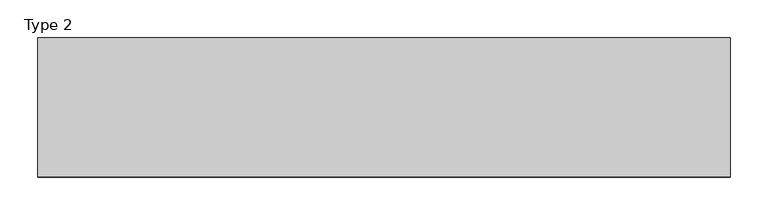
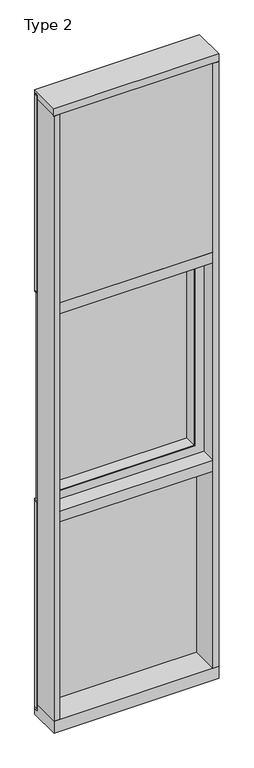
"""IFC4 building model written with IfcOpenShell, lengths in millimetres: plate geometry, Type 2."""

import ifcopenshell
import ifcopenshell.guid

model = None  # the IFC model being written
_history = None  # IfcOwnerHistory: only IFC2X3 demands one
_inside = {}  # id of a spatial element -> (the spatial element, [elements in it])
_under = {}  # id of a project, library or spatial element -> (it, [spatial elements below it])
_declared = {}  # id of a project -> (the project, [libraries it declares])
_typed = {}  # id of a type object -> (the type object, [elements of that type])
_made_of = {}  # id of a material, layer set ... -> (it, [elements and type objects made of it])


def new_model(schema):
    """Start an empty IFC model of exactly this schema.

    Asked for "IFC4X3", IfcOpenShell would pick the latest addendum, in which some entities
    have other attributes; the version numbers below select the first issue.
    IFC2X3 requires an IfcOwnerHistory on every rooted entity: one is made here for all.
    """
    global model, _history
    if schema == "IFC4X3":
        model = ifcopenshell.file(schema_version=(4, 3, 0, 0))
    else:
        model = ifcopenshell.file(schema=schema)
    _inside.clear()
    _under.clear()
    _declared.clear()
    _typed.clear()
    _made_of.clear()
    _history = None
    if model.schema == "IFC2X3":
        org = make("IfcOrganization", Name="unknown")
        user = make(
            "IfcPersonAndOrganization",
            ThePerson=make("IfcPerson", FamilyName="unknown"),
            TheOrganization=org,
        )
        app = make(
            "IfcApplication",
            ApplicationDeveloper=org,
            Version="unknown",
            ApplicationFullName="unknown",
            ApplicationIdentifier="unknown",
        )
        _history = make(
            "IfcOwnerHistory",
            OwningUser=user,
            OwningApplication=app,
            ChangeAction="ADDED",
            CreationDate=0,
        )
    return model


def make(cls, **values):
    """One entity of the class cls with the attributes given. An attribute that is None is left unset."""
    return model.create_entity(
        cls, **{name: value for name, value in values.items() if value is not None}
    )


def rooted(cls, **values):
    """An entity with a GlobalId (a new one), such as an element, a storey or a relation."""
    return make(cls, GlobalId=ifcopenshell.guid.new(), OwnerHistory=_history, **values)


def si_unit(unit_type, name, prefix=None):
    """IfcSIUnit, for example si_unit("LENGTHUNIT", "METRE", prefix="MILLI")."""
    return make("IfcSIUnit", UnitType=unit_type, Prefix=prefix, Name=name)


def assignment(units):
    """IfcUnitAssignment: the units of a project."""
    return None if units is None else make("IfcUnitAssignment", Units=units)


def point(xyz):
    """IfcCartesianPoint."""
    return None if xyz is None else make("IfcCartesianPoint", Coordinates=xyz)


def direction(xyz):
    """IfcDirection."""
    return None if xyz is None else make("IfcDirection", DirectionRatios=xyz)


def frame(location, z_axis=None, x_axis=None):
    """IfcAxis2Placement3D, a coordinate frame: its origin and axes. An axis left out is left unset."""
    return make(
        "IfcAxis2Placement3D",
        Location=point(location),
        Axis=direction(z_axis),
        RefDirection=direction(x_axis),
    )


def origin():
    """The frame at (0, 0, 0) with its axes left unset."""
    return frame((0.0, 0.0, 0.0))


def place(relative_to, where):
    """IfcLocalPlacement: puts the frame where relative to a parent placement (None: the world)."""
    return make(
        "IfcLocalPlacement", PlacementRelTo=relative_to, RelativePlacement=where
    )


def context(
    kind, dimensions, precision=None, world=None, true_north=None, identifier=None
):
    """IfcGeometricRepresentationContext, for example the 3D "Model" context."""
    return make(
        "IfcGeometricRepresentationContext",
        ContextIdentifier=identifier,
        ContextType=kind,
        CoordinateSpaceDimension=dimensions,
        Precision=precision,
        WorldCoordinateSystem=world,
        TrueNorth=true_north,
    )


def project(units=None, contexts=None):
    """IfcProject with its units and contexts."""
    return rooted(
        "IfcProject",
        Name="project",
        RepresentationContexts=contexts,
        UnitsInContext=assignment(units),
    )


def spatial(cls, under=None, at=None, **own):
    """A site, building, storey or space (cls), placed at a placement, below another one or the project."""
    s = rooted(cls, ObjectPlacement=at, **own)
    if under is not None:
        _under.setdefault(under.id(), (under, []))[1].append(s)
    return s


def polyline(points):
    """IfcPolyline through the points."""
    return make("IfcPolyline", Points=[point(p) for p in points])


def outline(outer, holes=None, kind="AREA"):
    """IfcArbitraryClosedProfileDef: a profile drawn as a closed curve; with holes, ...WithVoids."""
    if holes is None:
        return make("IfcArbitraryClosedProfileDef", ProfileType=kind, OuterCurve=outer)
    return make(
        "IfcArbitraryProfileDefWithVoids",
        ProfileType=kind,
        OuterCurve=outer,
        InnerCurves=holes,
    )


def extrude(swept, where, along, depth):
    """IfcExtrudedAreaSolid: the profile swept, set in the frame where, extruded along a direction by depth."""
    return make(
        "IfcExtrudedAreaSolid",
        SweptArea=swept,
        Position=where,
        ExtrudedDirection=direction(along),
        Depth=depth,
    )


def faces_of(points, faces, orient=None, outer=None):
    """IfcFace entities. A face is a list of loops; a loop is a list of indices into points, from 0.

    orient and outer hold one flag for each loop. By default every Orientation is true, the
    first loop of a face is its IfcFaceOuterBound and the others are IfcFaceBound.
    """
    made = []
    for i, loops in enumerate(faces):
        bounds = []
        for j, loop in enumerate(loops):
            is_outer = j == 0 if outer is None else outer[i][j]
            bounds.append(
                make(
                    "IfcFaceOuterBound" if is_outer else "IfcFaceBound",
                    Bound=make("IfcPolyLoop", Polygon=[points[k] for k in loop]),
                    Orientation=True if orient is None else orient[i][j],
                )
            )
        made.append(make("IfcFace", Bounds=bounds))
    return made


def faceted_brep(points, faces, orient=None, outer=None, voids=None):
    """IfcFacetedBrep: a solid bounded by flat faces; with voids (closed shells), ...WithVoids."""
    shared = [point(p) for p in points]
    hull = make("IfcClosedShell", CfsFaces=faces_of(shared, faces, orient, outer))
    if voids is None:
        return make("IfcFacetedBrep", Outer=hull)
    return make(
        "IfcFacetedBrepWithVoids",
        Outer=hull,
        Voids=[
            make(cls, CfsFaces=faces_of(shared, fs, o, b)) for cls, fs, o, b in voids
        ],
    )


def shape(context_of_items, identifier, shape_type, items):
    """IfcShapeRepresentation: the items that make up one representation, for example the "Body"."""
    return make(
        "IfcShapeRepresentation",
        ContextOfItems=context_of_items,
        RepresentationIdentifier=identifier,
        RepresentationType=shape_type,
        Items=items,
    )


def source(mapping_origin, context_of_items, identifier, shape_type, items):
    """IfcRepresentationMap: a shape defined once, which mapped items show again and again."""
    return make(
        "IfcRepresentationMap",
        MappingOrigin=mapping_origin,
        MappedRepresentation=shape(context_of_items, identifier, shape_type, items),
    )


def transform(
    local_origin,
    x_axis=None,
    y_axis=None,
    z_axis=None,
    scale=None,
    scale2=None,
    scale3=None,
    uniform=True,
):
    """IfcCartesianTransformationOperator3D, or its non-uniform kind. x_axis, y_axis, z_axis: its Axis1, 2, 3."""
    if uniform:
        return make(
            "IfcCartesianTransformationOperator3D",
            Axis1=direction(x_axis),
            Axis2=direction(y_axis),
            LocalOrigin=point(local_origin),
            Scale=scale,
            Axis3=direction(z_axis),
        )
    return make(
        "IfcCartesianTransformationOperator3DnonUniform",
        Axis1=direction(x_axis),
        Axis2=direction(y_axis),
        LocalOrigin=point(local_origin),
        Scale=scale,
        Axis3=direction(z_axis),
        Scale2=scale2,
        Scale3=scale3,
    )


def mapped(mapping_source, mapping_target):
    """IfcMappedItem: shows the shape of a source again, moved by a transform."""
    return make(
        "IfcMappedItem", MappingSource=mapping_source, MappingTarget=mapping_target
    )


def made_of(thing, what):
    """Note that an element or type object is made of a material, layer set ...; save() writes the relation."""
    if what is not None:
        _made_of.setdefault(what.id(), (what, []))[1].append(thing)
    return thing


def element(
    cls,
    number,
    at=None,
    inside=None,
    cuts=None,
    type_object=None,
    material=None,
    context=None,
    identifier="Body",
    shape_type=None,
    held_by="IfcProductDefinitionShape",
    body=None,
    shapes=None,
    **own,
):
    """One element of the class cls, such as IfcWall. Its Tag is "e" and its number.

    at: its placement. inside: the storey or other place that contains it. cuts: it is an
    opening in that element (IfcRelVoidsElement). A single representation is given by context,
    identifier, shape_type and body (its items); several are given by shapes. held_by: the class
    of the entity that holds the representations. save() writes the other relations.
    """
    e = rooted(cls, Tag="e%d" % number, ObjectPlacement=at, **own)
    if body is not None:
        shapes = [shape(context, identifier, shape_type, body)]
    if shapes is not None:
        e.Representation = make(held_by, Representations=shapes)
    if inside is not None:
        _inside.setdefault(inside.id(), (inside, []))[1].append(e)
    if cuts is not None:
        rooted(
            "IfcRelVoidsElement", RelatingBuildingElement=cuts, RelatedOpeningElement=e
        )
    if type_object is not None:
        _typed.setdefault(type_object.id(), (type_object, []))[1].append(e)
    return made_of(e, material)


def aggregate(whole, parts):
    """IfcRelAggregates: a whole, such as a stair, and the parts it consists of."""
    return rooted("IfcRelAggregates", RelatingObject=whole, RelatedObjects=parts)


def save(model, path):
    """Write the relations noted so far, then the file.

    IfcRelAggregates (storeys below a building ...), IfcRelContainedInSpatialStructure (elements
    in a storey), IfcRelDefinesByType, IfcRelAssociatesMaterial and IfcRelDeclares: one each for
    every whole, place, type object, material and project.
    """
    for whole, parts in _under.values():
        aggregate(whole, parts)
    for where, things in _inside.values():
        rooted(
            "IfcRelContainedInSpatialStructure",
            RelatedElements=things,
            RelatingStructure=where,
        )
    for kind, things in _typed.values():
        rooted("IfcRelDefinesByType", RelatedObjects=things, RelatingType=kind)
    for what, things in _made_of.values():
        rooted("IfcRelAssociatesMaterial", RelatedObjects=things, RelatingMaterial=what)
    for by, libraries in _declared.values():
        rooted("IfcRelDeclares", RelatingContext=by, RelatedDefinitions=libraries)
    model.write(path)


def type_2_20ad2b53(model_context):
    return source(origin(), model_context, "Body", "SolidModel", [
        faceted_brep([(-400.06905, 1.5875, 1276.33095), (-400.06905, 26.9875, 1276.33095), (-400.06905, 26.9875, 2381.26905), (-400.06905, 1.5875, 2381.26905), (-371.475, -68.2529804, 1304.925), (-371.475, 1.5875, 1304.925), (-371.475, 1.5875, 2352.675), (-371.475, -68.2529804, 2352.675), (-373.85625, -63.4904804, 1302.54375), (-373.85625, -68.2529804, 1302.54375), (-373.85625, -68.2529804, 2355.05625), (-373.85625, -63.4904804, 2355.05625), (-377.03125, -68.2529804, 1299.36875), (-377.03125, -66.0939347, 1299.36875), (-377.03125, -66.0939347, 2358.23125), (-377.03125, -68.2529804, 2358.23125), (-425.45, 26.9875, 1250.95), (-425.45, -68.2529804, 1250.95), (-425.45, -68.2529804, 2406.65), (-425.45, 26.9875, 2406.65), (-392.1125, -7.9279804, 1284.2875), (-392.1125, -63.4904804, 1284.2875), (-392.1125, -63.4904804, 2373.3125), (-392.1125, -7.9279804, 2373.3125), (-407.6336465, -12.4174268, 1268.7663535), (-407.6336465, -7.9279804, 1268.7663535), (-407.6336465, -7.9279804, 2388.8336465), (-407.6336465, -12.4174268, 2388.8336465), (-409.575, -66.0939347, 1266.825), (-409.575, -12.4174268, 1266.825), (-409.575, -12.4174268, 2390.775), (-409.575, -66.0939347, 2390.775), (400.06905, 26.9875, 2381.26905), (400.06905, 1.5875, 2381.26905), (371.475, 1.5875, 2352.675), (371.475, -68.2529804, 2352.675), (373.85625, -68.2529804, 2355.05625), (373.85625, -63.4904804, 2355.05625), (392.1125, -63.4904804, 2373.3125), (392.1125, -7.9279804, 2373.3125), (407.6336465, -7.9279804, 2388.8336465), (407.6336465, -12.4174268, 2388.8336465), (409.575, -12.4174268, 2390.775), (409.575, -66.0939347, 2390.775), (377.03125, -66.0939347, 2358.23125), (377.03125, -68.2529804, 2358.23125), (425.45, -68.2529804, 2406.65), (425.45, 26.9875, 2406.65), (400.06905, 26.9875, 1276.33095), (400.06905, 1.5875, 1276.33095), (371.475, 1.5875, 1304.925), (371.475, -68.2529804, 1304.925), (373.85625, -68.2529804, 1302.54375), (373.85625, -63.4904804, 1302.54375), (392.1125, -63.4904804, 1284.2875), (392.1125, -7.9279804, 1284.2875), (407.6336465, -7.9279804, 1268.7663535), (407.6336465, -12.4174268, 1268.7663535), (409.575, -12.4174268, 1266.825), (409.575, -66.0939347, 1266.825), (377.03125, -66.0939347, 1299.36875), (377.03125, -68.2529804, 1299.36875), (425.45, -68.2529804, 1250.95), (425.45, 26.9875, 1250.95)], [[[0, 1, 2, 3]], [[4, 5, 6, 7]], [[8, 9, 10, 11]], [[12, 13, 14, 15]], [[16, 17, 18, 19]], [[20, 21, 22, 23]], [[24, 25, 26, 27]], [[28, 29, 30, 31]], [[3, 2, 32, 33]], [[7, 6, 34, 35]], [[11, 10, 36, 37]], [[23, 22, 38, 39]], [[27, 26, 40, 41]], [[31, 30, 42, 43]], [[15, 14, 44, 45]], [[19, 18, 46, 47]], [[33, 32, 48, 49]], [[35, 34, 50, 51]], [[37, 36, 52, 53]], [[39, 38, 54, 55]], [[41, 40, 56, 57]], [[43, 42, 58, 59]], [[45, 44, 60, 61]], [[47, 46, 62, 63]], [[19, 47, 63, 16], [1, 48, 32, 2]], [[49, 48, 1, 0]], [[3, 33, 49, 0], [5, 50, 34, 6]], [[51, 50, 5, 4]], [[9, 52, 36, 10], [7, 35, 51, 4]], [[53, 52, 9, 8]], [[21, 54, 38, 22], [11, 37, 53, 8]], [[55, 54, 21, 20]], [[25, 56, 40, 26], [23, 39, 55, 20]], [[57, 56, 25, 24]], [[29, 58, 42, 30], [27, 41, 57, 24]], [[59, 58, 29, 28]], [[31, 43, 59, 28], [13, 60, 44, 14]], [[61, 60, 13, 12]], [[17, 62, 46, 18], [15, 45, 61, 12]], [[63, 62, 17, 16]]]),
        extrude(outline(polyline([(400.06905, 26.9875), (400.06905, 1.5875), (-400.06905, 1.5875), (-400.06905, 26.9875), (400.06905, 26.9875)])), frame((0.0, 0.0, 1276.33095), z_axis=(0.0, 0.0, 1.0), x_axis=(1.0, 0.0, 0.0)), (0.0, 0.0, 1.0), 1104.9381),
        extrude(outline(polyline([(-457.2, -155.9814), (-457.2, 2.286), (-425.45, 2.286), (-425.45, -155.9814), (-457.2, -155.9814)])), frame((0.0, 0.0, 31.75), z_axis=(0.0, 0.0, 1.0), x_axis=(1.0, 0.0, 0.0)), (0.0, 0.0, 1.0), 3543.3),
        extrude(outline(polyline([(457.2, -155.9814), (425.45, -155.9814), (425.45, 2.286), (457.2, 2.286), (457.2, -155.9814)])), frame((0.0, 0.0, 31.75), z_axis=(0.0, 0.0, 1.0), x_axis=(1.0, 0.0, 0.0)), (0.0, 0.0, 1.0), 3543.3),
        extrude(outline(polyline([(425.4510892, -48.6409999), (425.4510892, -156.32684), (-425.45, -156.32684), (-425.45, -48.6409999), (425.4510892, -48.6409999)])), frame((0.0, 0.0, 2470.15), z_axis=(0.0, 0.0, 1.0), x_axis=(1.0, 0.0, 0.0)), (0.0, 0.0, 1.0), 1104.9984372),
        extrude(outline(polyline([(457.2, 27.6881517), (457.2, 11.2982336), (444.5010892, 11.2982336), (444.5010892, 27.6881517), (457.2, 27.6881517)])), frame((0.0, 0.0, 2444.75), z_axis=(0.0, 0.0, 1.0), x_axis=(1.0, 0.0, 0.0)), (0.0, 0.0, 1.0), 1149.35),
        extrude(outline(polyline([(-444.5010892, 27.6881517), (-444.5010892, 11.2982336), (-457.2, 11.2982336), (-457.2, 27.6881517), (-444.5010892, 27.6881517)])), frame((0.0, 0.0, 2444.75), z_axis=(0.0, 0.0, 1.0), x_axis=(1.0, 0.0, 0.0)), (0.0, 0.0, 1.0), 1149.35),
        extrude(outline(polyline([(444.5010892, 27.686), (444.5010892, 2.286), (-444.5010892, 2.286), (-444.5010892, 27.686), (444.5010892, 27.686)])), frame((0.0, 0.0, 2444.75), z_axis=(0.0, 0.0, 1.0), x_axis=(1.0, 0.0, 0.0)), (0.0, 0.0, 1.0), 1149.35),
        extrude(outline(polyline([(457.2, 27.6881517), (457.2, 11.2982336), (444.5010892, 11.2982336), (444.5010892, 27.6881517), (457.2, 27.6881517)])), frame((0.0, 0.0, 6.35), z_axis=(0.0, 0.0, 1.0), x_axis=(1.0, 0.0, 0.0)), (0.0, 0.0, 1.0), 1206.5),
        extrude(outline(polyline([(-444.5010892, 27.6881517), (-444.5010892, 11.2982336), (-457.2, 11.2982336), (-457.2, 27.6881517), (-444.5010892, 27.6881517)])), frame((0.0, 0.0, 6.35), z_axis=(0.0, 0.0, 1.0), x_axis=(1.0, 0.0, 0.0)), (0.0, 0.0, 1.0), 1206.5),
        extrude(outline(polyline([(444.5010892, 27.686), (444.5010892, 2.286), (-444.5010892, 2.286), (-444.5010892, 27.686), (444.5010892, 27.686)])), frame((0.0, 0.0, 6.35), z_axis=(0.0, 0.0, 1.0), x_axis=(1.0, 0.0, 0.0)), (0.0, 0.0, 1.0), 1206.5),
        extrude(outline(polyline([(457.2, 27.686), (457.2, 6.35), (-457.2, 6.35), (-457.2, 27.686), (457.2, 27.686)])), frame((0.0, 0.0, 1212.85), z_axis=(0.0, 0.0, 1.0), x_axis=(1.0, 0.0, 0.0)), (0.0, 0.0, 1.0), 12.7),
        extrude(outline(polyline([(457.2, 27.6881517), (457.2, 11.2982336), (-457.2, 11.2982336), (-457.2, 27.6881517), (457.2, 27.6881517)])), frame((0.0, 0.0, 2438.4), z_axis=(0.0, 0.0, 1.0), x_axis=(1.0, 0.0, 0.0)), (0.0, 0.0, 1.0), 6.35),
        extrude(outline(polyline([(1225.55, 450.85), (2432.05, 450.85), (2432.05, -450.85), (1225.55, -450.85), (1225.55, 450.85)]), holes=[polyline([(1250.95, -425.45), (2406.65, -425.45), (2406.65, 425.45), (1250.95, 425.45), (1250.95, -425.45)])]), frame((0.0, 2.2859999, 0.0), z_axis=(0.0, 1.0, 0.0), x_axis=(0.0, 0.0, 1.0)), (0.0, 0.0, 1.0), 25.3960313),
        extrude(outline(polyline([(-425.45, -155.4734), (-425.45, 2.2859999), (425.45, 2.2859999), (425.45, -155.4734), (-425.45, -155.4734)])), frame((0.0, 0.0, 1187.45), z_axis=(0.0, 0.0, 1.0), x_axis=(1.0, 0.0, 0.0)), (0.0, 0.0, 1.0), 63.5),
        extrude(outline(polyline([(-457.2, 15.9510838), (-457.2, 27.6859999), (457.2, 27.6859999), (457.2, 15.9510838), (-457.2, 15.9510838)])), frame((0.0, 0.0, 3594.7366239), z_axis=(0.0, 0.0, 1.0), x_axis=(1.0, 0.0, 0.0)), (0.0, 0.0, 1.0), 6.7161694),
        extrude(outline(polyline([(27.686, 3619.5), (27.686, 3601.4527933), (2.286, 3601.4527933), (2.286, 3575.6866239), (-155.4734, 3575.6866239), (-155.4734, 3619.5), (27.686, 3619.5)])), frame((-457.2, 0.0, 0.0), z_axis=(1.0, 0.0, 0.0), x_axis=(0.0, 1.0, 0.0)), (0.0, 0.0, 1.0), 914.4),
        extrude(outline(polyline([(-457.2, 5.0946564), (-457.2, 27.6881517), (457.2, 27.6881517), (457.2, 5.0946564), (-457.2, 5.0946564)])), frame((0.0, 0.0, -6.2984797), z_axis=(0.0, 0.0, 1.0), x_axis=(1.0, 0.0, 0.0)), (0.0, 0.0, 1.0), 12.6484797),
        extrude(outline(polyline([(-425.45, -155.4734), (-425.45, 2.2859999), (425.45, 2.2859999), (425.45, -155.4734), (-425.45, -155.4734)])), frame((0.0, 0.0, 2406.65), z_axis=(0.0, 0.0, 1.0), x_axis=(1.0, 0.0, 0.0)), (0.0, 0.0, 1.0), 63.5),
        extrude(outline(polyline([(2.2859999, 31.75), (2.2859999, -6.2983857), (27.6858239, -6.2983857), (27.6858239, -38.1), (-155.6004, -38.1), (-155.6004, 31.75), (2.2859999, 31.75)])), frame((-457.2, 0.0, 0.0), z_axis=(1.0, 0.0, 0.0), x_axis=(0.0, 1.0, 0.0)), (0.0, 0.0, 1.0), 914.4),
    ])


if __name__ == "__main__":
    model = new_model("IFC4")
    model_context = context("Model", 3, world=origin())
    ifc_project = project(units=[si_unit("LENGTHUNIT", "METRE", prefix="MILLI")], contexts=[model_context])
    site = spatial("IfcSite", under=ifc_project)
    building = spatial("IfcBuilding", under=site)
    placement = place(None, origin())
    type_2_shape = type_2_20ad2b53(model_context)
    element("IfcPlate", 1, ObjectType="Type 2", at=placement, inside=building, context=model_context, shape_type="MappedRepresentation", body=[
        mapped(type_2_shape, transform((0.0, 0.0, 0.0), x_axis=(1.0, 0.0, 0.0), y_axis=(0.0, 1.0, 0.0), z_axis=(0.0, 0.0, 1.0))),
    ])
    save(model, "model.ifc")
